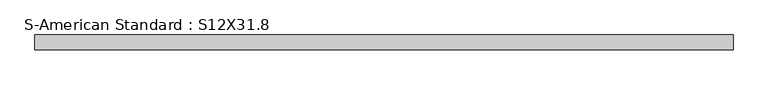
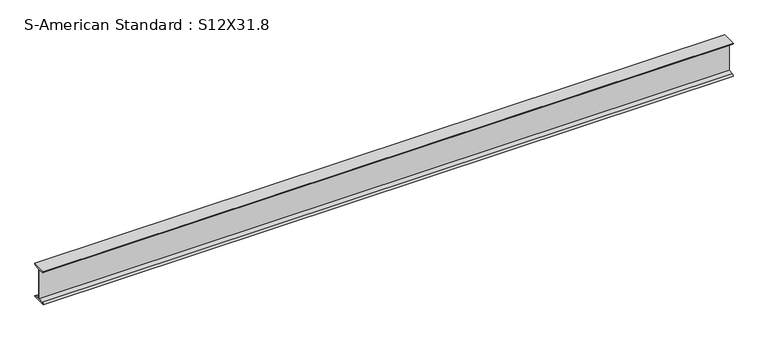
"""IFC4 building model written with IfcOpenShell, lengths in millimetres: beam geometry, S-American Standard : S12X31.8."""

from ifc_helpers import new_model, si_unit, point, frame, frame_2d, origin, place, context, project, spatial, polyline, circle_curve, trimmed, segment, composite_curve, outline, extrude, source, transform, mapped, element, save


def s_american_standard_s12x31_8_39a71193(model_context):
    return source(origin(), model_context, "Body", "SweptSolid", [
        extrude(outline(composite_curve([segment(trimmed(circle_curve(frame_2d((49.7, 152.4)), 13.8), [point((63.5, 152.4))], [point((49.7, 138.6))], False, "CARTESIAN"), True, "CONTINUOUS"), segment(polyline([(49.7, 138.6), (4.45, 131.4331041), (4.45, -131.4331041), (49.7, -138.6)]), True, "CONTINUOUS"), segment(trimmed(circle_curve(frame_2d((49.7, -152.4)), 13.8), [point((49.7, -138.6))], [point((63.5, -152.4))], False, "CARTESIAN"), True, "CONTINUOUS"), segment(polyline([(63.5, -152.4), (-63.5, -152.4)]), True, "CONTINUOUS"), segment(trimmed(circle_curve(frame_2d((-49.7, -152.4)), 13.8), [point((-63.5, -152.4))], [point((-49.7, -138.6))], False, "CARTESIAN"), True, "CONTINUOUS"), segment(polyline([(-49.7, -138.6), (-4.45, -131.4331041), (-4.45, 131.4331041), (-49.7, 138.6)]), True, "CONTINUOUS"), segment(trimmed(circle_curve(frame_2d((-49.7, 152.4)), 13.8), [point((-49.7, 138.6))], [point((-63.5, 152.4))], False, "CARTESIAN"), True, "CONTINUOUS"), segment(polyline([(-63.5, 152.4), (63.5, 152.4)]), True, "CONTINUOUS")], self_intersect=False)), frame((-6447.1462784, 0.0, 0.0), z_axis=(1.0, 0.0, 0.0), x_axis=(0.0, 1.0, 0.0)), (0.0, 0.0, 1.0), 6007.6198283),
    ])


if __name__ == "__main__":
    model = new_model("IFC4")
    model_context = context("Model", 3, world=origin())
    ifc_project = project(units=[si_unit("LENGTHUNIT", "METRE", prefix="MILLI")], contexts=[model_context])
    site = spatial("IfcSite", under=ifc_project)
    building = spatial("IfcBuilding", under=site)
    placement = place(None, origin())
    s_american_standard_s12x31_8_shape = s_american_standard_s12x31_8_39a71193(model_context)
    element("IfcBeam", 1, ObjectType="S-American Standard : S12X31.8", at=placement, inside=building, context=model_context, shape_type="MappedRepresentation", body=[
        mapped(s_american_standard_s12x31_8_shape, transform((0.0, 0.0, 0.0), x_axis=(1.0, 0.0, 0.0), y_axis=(0.0, 1.0, 0.0), z_axis=(0.0, 0.0, 1.0))),
    ])
    save(model, "model.ifc")
